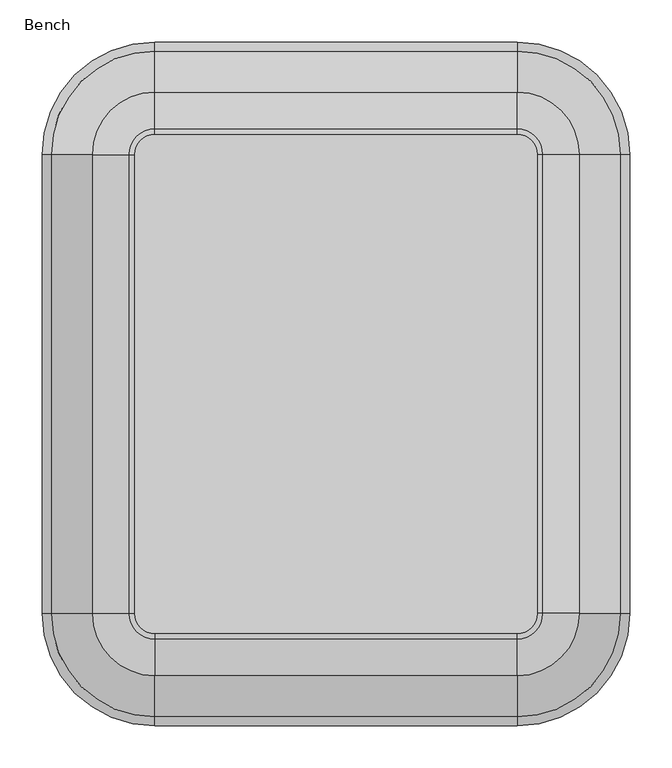
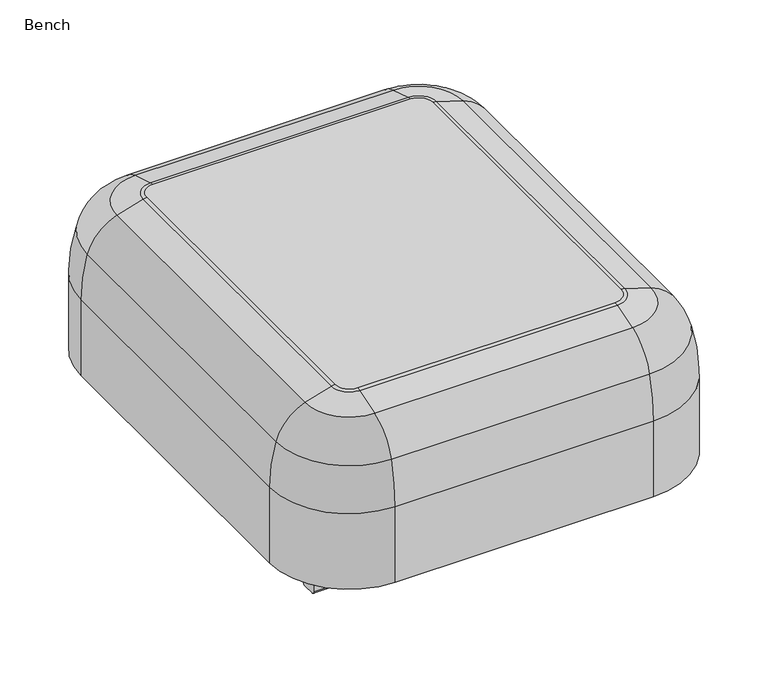
"""IFC4 building model written with IfcOpenShell, lengths in millimetres: furniture geometry, Bench."""

from ifc_helpers import new_model, si_unit, point, frame, frame_2d, origin, place, context, project, spatial, polyline, circle_curve, ellipse_curve, trimmed, segment, composite_curve, outline, extrude, source, transform, mapped, element, save
from ifc_brep_helpers import plane_surface, cylinder_surface, revolved_surface, advanced_brep


def bench_887439ae(model_context):
    return source(origin(), model_context, "Body", "SolidModel", [
        advanced_brep(
        [(349.7670833, 133.8670833, 263.8730144), (349.7670833, 133.8670833, 130.0907271), (349.7670833, 679.9670833, 130.0907271), (349.7670833, 679.9670833, 263.8730144), (338.9812591, 679.9670833, 341.0501129), (338.9812591, 133.8670833, 341.0501129), (290.0181867, 679.9670833, 393.2641497), (290.0181867, 133.8670833, 393.2641497), (215.9, 813.8341665, 263.8730144), (215.9, 813.8341665, 130.0907271), (-215.9, 813.8341665, 130.0907271), (-215.9, 813.8341665, 263.8730144), (-215.9, 803.0483423, 341.0501129), (215.9, 803.0483423, 341.0501129), (-215.9, 754.0852699, 393.2641497), (215.9, 754.0852699, 393.2641497), (-349.7670833, 679.9670833, 263.8730144), (-349.7670833, 679.9670833, 130.0907271), (-349.7670833, 133.8670833, 130.0907271), (-349.7670833, 133.8670833, 263.8730144), (-338.9812591, 133.8670833, 341.0501129), (-338.9812591, 679.9670833, 341.0501129), (-290.0181867, 133.8670833, 393.2641497), (-290.0181867, 679.9670833, 393.2641497), (-215.9, 0.0, 263.8730144), (-215.9, 0.0, 130.0907271), (215.9, 0.0, 130.0907271), (215.9, 0.0, 263.8730144), (215.9, 10.7858242, 341.0501129), (-215.9, 10.7858242, 341.0501129), (215.9, 59.7488966, 393.2641497), (-215.9, 59.7488966, 393.2641497), (246.3697275, 133.8670833, 406.9392607), (215.9, 103.3973557, 406.9392607), (246.3697275, 679.9670833, 406.9392607), (215.9, 710.4368108, 406.9392607), (-215.9, 710.4368108, 406.9392607), (-246.3697275, 679.9670833, 406.9392607), (-246.3697275, 133.8670833, 406.9392607), (-215.9, 103.3973557, 406.9392607), (240.066495, 133.8670833, 407.7802548), (215.9, 109.7005883, 407.7802548), (240.066495, 679.9670833, 407.7802548), (215.9, 704.1335782, 407.7802548), (-215.9, 704.1335782, 407.7802548), (-240.066495, 679.9670833, 407.7802548), (-240.066495, 133.8670833, 407.7802548), (-215.9, 109.7005883, 407.7802548)],
        [
            (0, 1),
            (1, 2),
            (2, 3),
            (3, 0),
            (3, 4, circle_curve(frame((68.2569074, 679.9670833, 263.8730144), z_axis=(0.0, -1.0, 0.0), x_axis=(1.0, 0.0, 0.0)), 281.5101759)),
            (4, 5),
            (5, 0, circle_curve(frame((68.2569074, 133.8670833, 263.8730144), z_axis=(0.0, 1.0, 0.0), x_axis=(1.0, 0.0, 0.0)), 281.5101759)),
            (4, 6, circle_curve(frame((263.8055604, 679.9670833, 319.6193023), z_axis=(0.0, -1.0, 0.0), x_axis=(1.0, 0.0, 0.0)), 78.1707446)),
            (6, 7),
            (7, 5, circle_curve(frame((263.8055604, 133.8670833, 319.6193023), z_axis=(0.0, 1.0, 0.0), x_axis=(1.0, 0.0, 0.0)), 78.1707446)),
            (8, 9),
            (9, 10),
            (10, 11),
            (11, 8),
            (11, 12, circle_curve(frame((-215.9, 532.3239907, 263.8730144), z_axis=(1.0, 0.0, 0.0), x_axis=(0.0, 1.0, 0.0)), 281.5101759)),
            (12, 13),
            (13, 8, circle_curve(frame((215.9, 532.3239907, 263.8730144), z_axis=(-1.0, 0.0, 0.0), x_axis=(0.0, 1.0, 0.0)), 281.5101759)),
            (12, 14, circle_curve(frame((-215.9, 727.8726436, 319.6193023), z_axis=(1.0, 0.0, 0.0), x_axis=(0.0, 1.0, 0.0)), 78.1707446)),
            (14, 15),
            (15, 13, circle_curve(frame((215.9, 727.8726436, 319.6193023), z_axis=(-1.0, 0.0, 0.0), x_axis=(0.0, 1.0, 0.0)), 78.1707446)),
            (16, 17),
            (17, 18),
            (18, 19),
            (19, 16),
            (19, 20, circle_curve(frame((-68.2569074, 133.8670833, 263.8730144), z_axis=(0.0, 1.0, 0.0), x_axis=(-1.0, 0.0, 0.0)), 281.5101759)),
            (20, 21),
            (21, 16, circle_curve(frame((-68.2569074, 679.9670833, 263.8730144), z_axis=(0.0, -1.0, 0.0), x_axis=(-1.0, 0.0, 0.0)), 281.5101759)),
            (20, 22, circle_curve(frame((-263.8055604, 133.8670833, 319.6193023), z_axis=(0.0, 1.0, 0.0), x_axis=(-1.0, 0.0, 0.0)), 78.1707446)),
            (22, 23),
            (23, 21, circle_curve(frame((-263.8055604, 679.9670833, 319.6193023), z_axis=(0.0, -1.0, 0.0), x_axis=(-1.0, 0.0, 0.0)), 78.1707446)),
            (24, 25),
            (25, 26),
            (26, 27),
            (27, 24),
            (27, 28, circle_curve(frame((215.9, 281.5101759, 263.8730144), z_axis=(-1.0, 0.0, 0.0), x_axis=(0.0, -1.0, 0.0)), 281.5101759)),
            (28, 29),
            (29, 24, circle_curve(frame((-215.9, 281.5101759, 263.8730144), z_axis=(1.0, 0.0, 0.0), x_axis=(0.0, -1.0, 0.0)), 281.5101759)),
            (28, 30, circle_curve(frame((215.9, 85.9615229, 319.6193023), z_axis=(-1.0, 0.0, 0.0), x_axis=(0.0, -1.0, 0.0)), 78.1707446)),
            (30, 31),
            (31, 29, circle_curve(frame((-215.9, 85.9615229, 319.6193023), z_axis=(1.0, 0.0, 0.0), x_axis=(0.0, -1.0, 0.0)), 78.1707446)),
            (0, 27, circle_curve(frame((215.9, 133.8670833, 263.8730144), z_axis=(0.0, 0.0, -1.0), x_axis=(0.0, -1.0, 0.0)), 133.8670833)),
            (26, 1, circle_curve(frame((215.9, 133.8670833, 130.0907271), z_axis=(0.0, 0.0, 1.0), x_axis=(0.0, -1.0, 0.0)), 133.8670833)),
            (5, 28, circle_curve(frame((215.9, 133.8670833, 341.0501129), z_axis=(0.0, 0.0, -1.0), x_axis=(0.0, -1.0, 0.0)), 123.0812591)),
            (7, 30, circle_curve(frame((215.9, 133.8670833, 393.2641497), z_axis=(0.0, 0.0, -1.0), x_axis=(0.0, -1.0, 0.0)), 74.1181867)),
            (7, 32, circle_curve(frame((89.9223899, 133.8670833, -168.9086074), z_axis=(0.0, -1.0, 0.0), x_axis=(1.0, 0.0, 0.0)), 596.7214901)),
            (32, 33, circle_curve(frame((215.9, 133.8670833, 406.9392607), z_axis=(0.0, 0.0, -1.0), x_axis=(0.0, -1.0, 0.0)), 30.4697275)),
            (33, 30, circle_curve(frame((215.9, 259.8446933, -168.9086074), z_axis=(1.0, 0.0, 0.0), x_axis=(0.0, -1.0, 0.0)), 596.7214901)),
            (6, 34, circle_curve(frame((89.9223899, 679.9670833, -168.9086074), z_axis=(0.0, -1.0, 0.0), x_axis=(1.0, 0.0, 0.0)), 596.7214901)),
            (34, 32),
            (2, 9, circle_curve(frame((215.9, 679.9670833, 130.0907271), z_axis=(0.0, 0.0, 1.0), x_axis=(1.0, 0.0, 0.0)), 133.8670833)),
            (8, 3, circle_curve(frame((215.9, 679.9670833, 263.8730144), z_axis=(0.0, 0.0, -1.0), x_axis=(1.0, 0.0, 0.0)), 133.8670833)),
            (13, 4, circle_curve(frame((215.9, 679.9670833, 341.0501129), z_axis=(0.0, 0.0, -1.0), x_axis=(1.0, 0.0, 0.0)), 123.0812591)),
            (15, 6, circle_curve(frame((215.9, 679.9670833, 393.2641497), z_axis=(0.0, 0.0, -1.0), x_axis=(1.0, 0.0, 0.0)), 74.1181867)),
            (15, 35, circle_curve(frame((215.9, 553.9894732, -168.9086074), z_axis=(1.0, 0.0, 0.0), x_axis=(0.0, 1.0, 0.0)), 596.7214901)),
            (35, 34, circle_curve(frame((215.9, 679.9670833, 406.9392607), z_axis=(0.0, 0.0, -1.0), x_axis=(1.0, 0.0, 0.0)), 30.4697275)),
            (14, 36, circle_curve(frame((-215.9, 553.9894732, -168.9086074), z_axis=(1.0, 0.0, 0.0), x_axis=(0.0, 1.0, 0.0)), 596.7214901)),
            (36, 35),
            (10, 17, circle_curve(frame((-215.9, 679.9670833, 130.0907271), z_axis=(0.0, 0.0, 1.0), x_axis=(0.0, 1.0, 0.0)), 133.8670833)),
            (16, 11, circle_curve(frame((-215.9, 679.9670833, 263.8730144), z_axis=(0.0, 0.0, -1.0), x_axis=(0.0, 1.0, 0.0)), 133.8670833)),
            (21, 12, circle_curve(frame((-215.9, 679.9670833, 341.0501129), z_axis=(0.0, 0.0, -1.0), x_axis=(0.0, 1.0, 0.0)), 123.0812591)),
            (23, 14, circle_curve(frame((-215.9, 679.9670833, 393.2641497), z_axis=(0.0, 0.0, -1.0), x_axis=(0.0, 1.0, 0.0)), 74.1181867)),
            (23, 37, circle_curve(frame((-89.9223899, 679.9670833, -168.9086074), z_axis=(0.0, 1.0, 0.0), x_axis=(-1.0, 0.0, 0.0)), 596.7214901)),
            (37, 36, circle_curve(frame((-215.9, 679.9670833, 406.9392607), z_axis=(0.0, 0.0, -1.0), x_axis=(0.0, 1.0, 0.0)), 30.4697275)),
            (22, 38, circle_curve(frame((-89.9223899, 133.8670833, -168.9086074), z_axis=(0.0, 1.0, 0.0), x_axis=(-1.0, 0.0, 0.0)), 596.7214901)),
            (38, 37),
            (18, 25, circle_curve(frame((-215.9, 133.8670833, 130.0907271), z_axis=(0.0, 0.0, 1.0), x_axis=(-1.0, 0.0, 0.0)), 133.8670833)),
            (24, 19, circle_curve(frame((-215.9, 133.8670833, 263.8730144), z_axis=(0.0, 0.0, -1.0), x_axis=(-1.0, 0.0, 0.0)), 133.8670833)),
            (29, 20, circle_curve(frame((-215.9, 133.8670833, 341.0501129), z_axis=(0.0, 0.0, -1.0), x_axis=(-1.0, 0.0, 0.0)), 123.0812591)),
            (31, 22, circle_curve(frame((-215.9, 133.8670833, 393.2641497), z_axis=(0.0, 0.0, -1.0), x_axis=(-1.0, 0.0, 0.0)), 74.1181867)),
            (31, 39, circle_curve(frame((-215.9, 259.8446933, -168.9086074), z_axis=(-1.0, 0.0, 0.0), x_axis=(0.0, -1.0, 0.0)), 596.7214901)),
            (39, 38, circle_curve(frame((-215.9, 133.8670833, 406.9392607), z_axis=(0.0, 0.0, -1.0), x_axis=(-1.0, 0.0, 0.0)), 30.4697275)),
            (33, 39),
            (32, 40, circle_curve(frame((240.066495, 133.8670833, 383.738463), z_axis=(0.0, -1.0, 0.0), x_axis=(1.0, 0.0, 0.0)), 24.0417918)),
            (40, 41, circle_curve(frame((215.9, 133.8670833, 407.7802548), z_axis=(0.0, 0.0, -1.0), x_axis=(0.0, -1.0, 0.0)), 24.166495)),
            (41, 33, circle_curve(frame((215.9, 109.7005883, 383.738463), z_axis=(1.0, 0.0, 0.0), x_axis=(0.0, -1.0, 0.0)), 24.0417918)),
            (34, 42, circle_curve(frame((240.066495, 679.9670833, 383.738463), z_axis=(0.0, -1.0, 0.0), x_axis=(1.0, 0.0, 0.0)), 24.0417918)),
            (42, 40),
            (35, 43, circle_curve(frame((215.9, 704.1335782, 383.738463), z_axis=(1.0, 0.0, 0.0), x_axis=(0.0, 1.0, 0.0)), 24.0417918)),
            (43, 42, circle_curve(frame((215.9, 679.9670833, 407.7802548), z_axis=(0.0, 0.0, -1.0), x_axis=(1.0, 0.0, 0.0)), 24.166495)),
            (36, 44, circle_curve(frame((-215.9, 704.1335782, 383.738463), z_axis=(1.0, 0.0, 0.0), x_axis=(0.0, 1.0, 0.0)), 24.0417918)),
            (44, 43),
            (37, 45, circle_curve(frame((-240.066495, 679.9670833, 383.738463), z_axis=(0.0, 1.0, 0.0), x_axis=(-1.0, 0.0, 0.0)), 24.0417918)),
            (45, 44, circle_curve(frame((-215.9, 679.9670833, 407.7802548), z_axis=(0.0, 0.0, -1.0), x_axis=(0.0, 1.0, 0.0)), 24.166495)),
            (38, 46, circle_curve(frame((-240.066495, 133.8670833, 383.738463), z_axis=(0.0, 1.0, 0.0), x_axis=(-1.0, 0.0, 0.0)), 24.0417918)),
            (46, 45),
            (39, 47, circle_curve(frame((-215.9, 109.7005883, 383.738463), z_axis=(-1.0, 0.0, 0.0), x_axis=(0.0, -1.0, 0.0)), 24.0417918)),
            (47, 46, circle_curve(frame((-215.9, 133.8670833, 407.7802548), z_axis=(0.0, 0.0, -1.0), x_axis=(-1.0, 0.0, 0.0)), 24.166495)),
            (41, 47),
        ],
        [
            plane_surface(frame((349.7670833, 133.8670833, 130.0907271), z_axis=(1.0, 0.0, 0.0), x_axis=(0.0, 1.0, 0.0))),
            cylinder_surface(frame((68.2569074, 133.8670833, 263.8730144), z_axis=(0.0, -1.0, 0.0), x_axis=(1.0, 0.0, 0.0)), 281.5101759),
            cylinder_surface(frame((263.8055604, 133.8670833, 319.6193023), z_axis=(0.0, -1.0, 0.0), x_axis=(1.0, 0.0, 0.0)), 78.1707446),
            plane_surface(frame((215.9, 813.8341665, 130.0907271), z_axis=(0.0, 1.0, 0.0), x_axis=(-1.0, 0.0, 0.0))),
            cylinder_surface(frame((215.9, 532.3239907, 263.8730144), z_axis=(1.0, 0.0, 0.0), x_axis=(0.0, 1.0, 0.0)), 281.5101759),
            cylinder_surface(frame((215.9, 727.8726436, 319.6193023), z_axis=(1.0, 0.0, 0.0), x_axis=(0.0, 1.0, 0.0)), 78.1707446),
            plane_surface(frame((-349.7670833, 679.9670833, 130.0907271), z_axis=(-1.0, 0.0, 0.0), x_axis=(0.0, -1.0, 0.0))),
            cylinder_surface(frame((-68.2569074, 679.9670833, 263.8730144), z_axis=(0.0, 1.0, 0.0), x_axis=(-1.0, 0.0, 0.0)), 281.5101759),
            cylinder_surface(frame((-263.8055604, 679.9670833, 319.6193023), z_axis=(0.0, 1.0, 0.0), x_axis=(-1.0, 0.0, 0.0)), 78.1707446),
            plane_surface(frame((-215.9, 0.0, 130.0907271), z_axis=(0.0, -1.0, 0.0), x_axis=(1.0, 0.0, 0.0))),
            cylinder_surface(frame((-215.9, 281.5101759, 263.8730144), z_axis=(-1.0, 0.0, 0.0), x_axis=(0.0, -1.0, 0.0)), 281.5101759),
            cylinder_surface(frame((-215.9, 85.9615229, 319.6193023), z_axis=(-1.0, 0.0, 0.0), x_axis=(0.0, -1.0, 0.0)), 78.1707446),
            cylinder_surface(frame((215.9, 133.8670833, 0.0), z_axis=(0.0, 0.0, 1.0), x_axis=(0.0, -1.0, 0.0)), 133.8670833),
            revolved_surface(trimmed(ellipse_curve(frame((215.9, 281.5101759, 263.8730144), z_axis=(-1.0, 0.0, 0.0), x_axis=(0.0, -1.0, 0.0)), 281.5101759, 281.5101759), [point((215.9, 0.0, 263.8730144))], [point((215.9, 10.7858242, 341.0501129))], True, "CARTESIAN"), (215.9, 133.8670833, 0.0), (0.0, 0.0, 1.0)),
            revolved_surface(trimmed(ellipse_curve(frame((215.9, 85.9615229, 319.6193023), z_axis=(-1.0, 0.0, 0.0), x_axis=(0.0, -1.0, 0.0)), 78.1707446, 78.1707446), [point((215.9, 10.7858242, 341.0501129))], [point((215.9, 59.7488966, 393.2641497))], True, "CARTESIAN"), (215.9, 133.8670833, 0.0), (0.0, 0.0, 1.0)),
            revolved_surface(trimmed(ellipse_curve(frame((215.9, 259.8446933, -168.9086074), z_axis=(-1.0, 0.0, 0.0), x_axis=(0.0, -1.0, 0.0)), 596.7214901, 596.7214901), [point((215.9, 59.7488966, 393.2641497))], [point((215.9, 103.3973557, 406.9392607))], True, "CARTESIAN"), (215.9, 133.8670833, 0.0), (0.0, 0.0, 1.0)),
            cylinder_surface(frame((89.9223899, 133.8670833, -168.9086074), z_axis=(0.0, -1.0, 0.0), x_axis=(1.0, 0.0, 0.0)), 596.7214901),
            cylinder_surface(frame((215.9, 679.9670833, 0.0), z_axis=(0.0, 0.0, 1.0), x_axis=(1.0, 0.0, 0.0)), 133.8670833),
            revolved_surface(trimmed(ellipse_curve(frame((68.2569074, 679.9670833, 263.8730144), z_axis=(0.0, -1.0, 0.0), x_axis=(1.0, 0.0, 0.0)), 281.5101759, 281.5101759), [point((349.7670833, 679.9670833, 263.8730144))], [point((338.9812591, 679.9670833, 341.0501129))], True, "CARTESIAN"), (215.9, 679.9670833, 0.0), (0.0, 0.0, 1.0)),
            revolved_surface(trimmed(ellipse_curve(frame((263.8055604, 679.9670833, 319.6193023), z_axis=(0.0, -1.0, 0.0), x_axis=(1.0, 0.0, 0.0)), 78.1707446, 78.1707446), [point((338.9812591, 679.9670833, 341.0501129))], [point((290.0181867, 679.9670833, 393.2641497))], True, "CARTESIAN"), (215.9, 679.9670833, 0.0), (0.0, 0.0, 1.0)),
            revolved_surface(trimmed(ellipse_curve(frame((89.9223899, 679.9670833, -168.9086074), z_axis=(0.0, -1.0, 0.0), x_axis=(1.0, 0.0, 0.0)), 596.7214901, 596.7214901), [point((290.0181867, 679.9670833, 393.2641497))], [point((246.3697275, 679.9670833, 406.9392607))], True, "CARTESIAN"), (215.9, 679.9670833, 0.0), (0.0, 0.0, 1.0)),
            cylinder_surface(frame((215.9, 553.9894732, -168.9086074), z_axis=(1.0, 0.0, 0.0), x_axis=(0.0, 1.0, 0.0)), 596.7214901),
            cylinder_surface(frame((-215.9, 679.9670833, 0.0), z_axis=(0.0, 0.0, 1.0), x_axis=(0.0, 1.0, 0.0)), 133.8670833),
            revolved_surface(trimmed(ellipse_curve(frame((-215.9, 532.3239907, 263.8730144), z_axis=(1.0, 0.0, 0.0), x_axis=(0.0, 1.0, 0.0)), 281.5101759, 281.5101759), [point((-215.9, 813.8341665, 263.8730144))], [point((-215.9, 803.0483423, 341.0501129))], True, "CARTESIAN"), (-215.9, 679.9670833, 0.0), (0.0, 0.0, 1.0)),
            revolved_surface(trimmed(ellipse_curve(frame((-215.9, 727.8726436, 319.6193023), z_axis=(1.0, 0.0, 0.0), x_axis=(0.0, 1.0, 0.0)), 78.1707446, 78.1707446), [point((-215.9, 803.0483423, 341.0501129))], [point((-215.9, 754.0852699, 393.2641497))], True, "CARTESIAN"), (-215.9, 679.9670833, 0.0), (0.0, 0.0, 1.0)),
            revolved_surface(trimmed(ellipse_curve(frame((-215.9, 553.9894732, -168.9086074), z_axis=(1.0, 0.0, 0.0), x_axis=(0.0, 1.0, 0.0)), 596.7214901, 596.7214901), [point((-215.9, 754.0852699, 393.2641497))], [point((-215.9, 710.4368108, 406.9392607))], True, "CARTESIAN"), (-215.9, 679.9670833, 0.0), (0.0, 0.0, 1.0)),
            cylinder_surface(frame((-89.9223899, 679.9670833, -168.9086074), z_axis=(0.0, 1.0, 0.0), x_axis=(-1.0, 0.0, 0.0)), 596.7214901),
            cylinder_surface(frame((-215.9, 133.8670833, 0.0), z_axis=(0.0, 0.0, 1.0), x_axis=(-1.0, 0.0, 0.0)), 133.8670833),
            revolved_surface(trimmed(ellipse_curve(frame((-68.2569074, 133.8670833, 263.8730144), z_axis=(0.0, 1.0, 0.0), x_axis=(-1.0, 0.0, 0.0)), 281.5101759, 281.5101759), [point((-349.7670833, 133.8670833, 263.8730144))], [point((-338.9812591, 133.8670833, 341.0501129))], True, "CARTESIAN"), (-215.9, 133.8670833, 0.0), (0.0, 0.0, 1.0)),
            revolved_surface(trimmed(ellipse_curve(frame((-263.8055604, 133.8670833, 319.6193023), z_axis=(0.0, 1.0, 0.0), x_axis=(-1.0, 0.0, 0.0)), 78.1707446, 78.1707446), [point((-338.9812591, 133.8670833, 341.0501129))], [point((-290.0181867, 133.8670833, 393.2641497))], True, "CARTESIAN"), (-215.9, 133.8670833, 0.0), (0.0, 0.0, 1.0)),
            revolved_surface(trimmed(ellipse_curve(frame((-89.9223899, 133.8670833, -168.9086074), z_axis=(0.0, 1.0, 0.0), x_axis=(-1.0, 0.0, 0.0)), 596.7214901, 596.7214901), [point((-290.0181867, 133.8670833, 393.2641497))], [point((-246.3697275, 133.8670833, 406.9392607))], True, "CARTESIAN"), (-215.9, 133.8670833, 0.0), (0.0, 0.0, 1.0)),
            plane_surface(frame((-215.9, 133.8670833, 130.0907271), z_axis=(0.0, 0.0, -1.0), x_axis=(-1.0, 0.0, 0.0))),
            cylinder_surface(frame((-215.9, 259.8446933, -168.9086074), z_axis=(-1.0, 0.0, 0.0), x_axis=(0.0, -1.0, 0.0)), 596.7214901),
            revolved_surface(trimmed(ellipse_curve(frame((215.9, 109.7005883, 383.738463), z_axis=(-1.0, 0.0, 0.0), x_axis=(0.0, -1.0, 0.0)), 24.0417918, 24.0417918), [point((215.9, 103.3973557, 406.9392607))], [point((215.9, 109.7005883, 407.7802548))], True, "CARTESIAN"), (215.9, 133.8670833, 0.0), (0.0, 0.0, 1.0)),
            cylinder_surface(frame((240.066495, 133.8670833, 383.738463), z_axis=(0.0, -1.0, 0.0), x_axis=(1.0, 0.0, 0.0)), 24.0417918),
            revolved_surface(trimmed(ellipse_curve(frame((240.066495, 679.9670833, 383.738463), z_axis=(0.0, -1.0, 0.0), x_axis=(1.0, 0.0, 0.0)), 24.0417918, 24.0417918), [point((246.3697275, 679.9670833, 406.9392607))], [point((240.066495, 679.9670833, 407.7802548))], True, "CARTESIAN"), (215.9, 679.9670833, 0.0), (0.0, 0.0, 1.0)),
            cylinder_surface(frame((215.9, 704.1335782, 383.738463), z_axis=(1.0, 0.0, 0.0), x_axis=(0.0, 1.0, 0.0)), 24.0417918),
            revolved_surface(trimmed(ellipse_curve(frame((-215.9, 704.1335782, 383.738463), z_axis=(1.0, 0.0, 0.0), x_axis=(0.0, 1.0, 0.0)), 24.0417918, 24.0417918), [point((-215.9, 710.4368108, 406.9392607))], [point((-215.9, 704.1335782, 407.7802548))], True, "CARTESIAN"), (-215.9, 679.9670833, 0.0), (0.0, 0.0, 1.0)),
            cylinder_surface(frame((-240.066495, 679.9670833, 383.738463), z_axis=(0.0, 1.0, 0.0), x_axis=(-1.0, 0.0, 0.0)), 24.0417918),
            revolved_surface(trimmed(ellipse_curve(frame((-240.066495, 133.8670833, 383.738463), z_axis=(0.0, 1.0, 0.0), x_axis=(-1.0, 0.0, 0.0)), 24.0417918, 24.0417918), [point((-246.3697275, 133.8670833, 406.9392607))], [point((-240.066495, 133.8670833, 407.7802548))], True, "CARTESIAN"), (-215.9, 133.8670833, 0.0), (0.0, 0.0, 1.0)),
            cylinder_surface(frame((-215.9, 109.7005883, 383.738463), z_axis=(-1.0, 0.0, 0.0), x_axis=(0.0, -1.0, 0.0)), 24.0417918),
            plane_surface(frame((-215.9, 109.7005883, 407.7802548), z_axis=(0.0, 0.0, 1.0), x_axis=(1.0, 0.0, 0.0))),
        ],
        [
            (0, [[1, 2, 3, 4]]),
            (1, [[-4, 5, 6, 7]]),
            (2, [[-6, 8, 9, 10]]),
            (3, [[11, 12, 13, 14]]),
            (4, [[-14, 15, 16, 17]]),
            (5, [[-16, 18, 19, 20]]),
            (6, [[21, 22, 23, 24]]),
            (7, [[-24, 25, 26, 27]]),
            (8, [[-26, 28, 29, 30]]),
            (9, [[31, 32, 33, 34]]),
            (10, [[-34, 35, 36, 37]]),
            (11, [[-36, 38, 39, 40]]),
            (12, [[-1, 41, -33, 42]]),
            (13, [[-7, 43, -35, -41]]),
            (14, [[-10, 44, -38, -43]]),
            (15, [[-44, 45, 46, 47]]),
            (16, [[-9, 48, 49, -45]]),
            (17, [[-3, 50, -11, 51]]),
            (18, [[-5, -51, -17, 52]]),
            (19, [[-8, -52, -20, 53]]),
            (20, [[-48, -53, 54, 55]]),
            (21, [[-19, 56, 57, -54]]),
            (22, [[-13, 58, -21, 59]]),
            (23, [[-15, -59, -27, 60]]),
            (24, [[-18, -60, -30, 61]]),
            (25, [[-56, -61, 62, 63]]),
            (26, [[-29, 64, 65, -62]]),
            (27, [[-23, 66, -31, 67]]),
            (28, [[-25, -67, -37, 68]]),
            (29, [[-28, -68, -40, 69]]),
            (30, [[-64, -69, 70, 71]]),
            (31, [[-2, -42, -32, -66, -22, -58, -12, -50]]),
            (32, [[-39, -47, 72, -70]]),
            (33, [[-46, 73, 74, 75]]),
            (34, [[-49, 76, 77, -73]]),
            (35, [[-55, 78, 79, -76]]),
            (36, [[-57, 80, 81, -78]]),
            (37, [[-63, 82, 83, -80]]),
            (38, [[-65, 84, 85, -82]]),
            (39, [[-71, 86, 87, -84]]),
            (40, [[-72, -75, 88, -86]]),
            (41, [[-74, -77, -79, -81, -83, -85, -87, -88]]),
        ],
    ),
        extrude(outline(composite_curve([segment(polyline([(107.8286615, 130.0907271), (127.950447, 130.0907271)]), True, "CONTINUOUS"), segment(trimmed(circle_curve(frame_2d((127.950447, 125.0107271)), 5.08), [point((127.950447, 130.0907271))], [point((133.030447, 125.0107271))], False, "CARTESIAN"), True, "CONTINUOUS"), segment(polyline([(133.030447, 125.0107271), (133.030447, 77.7918819)]), True, "CONTINUOUS"), segment(trimmed(circle_curve(frame_2d((128.0608234, 77.7918819)), 4.9696236), [point((133.030447, 77.7918819))], [point((128.0608234, 72.8222583))], False, "CARTESIAN"), True, "CONTINUOUS"), segment(polyline([(128.0608234, 72.8222583), (107.8286615, 72.8222583)]), True, "CONTINUOUS"), segment(trimmed(circle_curve(frame_2d((107.8286615, 77.9022583)), 5.08), [point((107.8286615, 72.8222583))], [point((102.7486615, 77.9022583))], False, "CARTESIAN"), True, "CONTINUOUS"), segment(polyline([(102.7486615, 77.9022583), (102.7486615, 125.0107271)]), True, "CONTINUOUS"), segment(trimmed(circle_curve(frame_2d((107.8286615, 125.0107271)), 5.08), [point((102.7486615, 125.0107271))], [point((107.8286615, 130.0907271))], False, "CARTESIAN"), True, "CONTINUOUS")], self_intersect=False)), frame((-293.2169131, 0.0, 0.0), z_axis=(1.0, 0.0, 0.0), x_axis=(0.0, 1.0, 0.0)), (0.0, 0.0, 1.0), 586.4338262),
        extrude(outline(composite_curve([segment(polyline([(688.0509148, 130.0907271), (708.1727003, 130.0907271)]), True, "CONTINUOUS"), segment(trimmed(circle_curve(frame_2d((708.1727003, 125.0107271)), 5.08), [point((708.1727003, 130.0907271))], [point((713.2527003, 125.0107271))], False, "CARTESIAN"), True, "CONTINUOUS"), segment(polyline([(713.2527003, 125.0107271), (713.2527003, 77.7918819)]), True, "CONTINUOUS"), segment(trimmed(circle_curve(frame_2d((708.2830767, 77.7918819)), 4.9696236), [point((713.2527003, 77.7918819))], [point((708.2830767, 72.8222583))], False, "CARTESIAN"), True, "CONTINUOUS"), segment(polyline([(708.2830767, 72.8222583), (688.0509148, 72.8222583)]), True, "CONTINUOUS"), segment(trimmed(circle_curve(frame_2d((688.0509148, 77.9022583)), 5.08), [point((688.0509148, 72.8222583))], [point((682.9709148, 77.9022583))], False, "CARTESIAN"), True, "CONTINUOUS"), segment(polyline([(682.9709148, 77.9022583), (682.9709148, 125.0107271)]), True, "CONTINUOUS"), segment(trimmed(circle_curve(frame_2d((688.0509148, 125.0107271)), 5.08), [point((682.9709148, 125.0107271))], [point((688.0509148, 130.0907271))], False, "CARTESIAN"), True, "CONTINUOUS")], self_intersect=False)), frame((-293.2169131, 0.0, 0.0), z_axis=(1.0, 0.0, 0.0), x_axis=(0.0, 1.0, 0.0)), (0.0, 0.0, 1.0), 586.4338262),
        extrude(outline(polyline([(244.5324279, 56.0547181), (-245.7576083, 56.0547181), (-245.7576083, 767.5830468), (244.5324279, 767.5830468), (244.5324279, 56.0547181)])), frame((0.0, 0.0, 120.4544369), z_axis=(0.0, 0.0, 1.0), x_axis=(1.0, 0.0, 0.0)), (0.0, 0.0, 1.0), 9.6362902),
    ])


if __name__ == "__main__":
    model = new_model("IFC4")
    model_context = context("Model", 3, world=origin())
    ifc_project = project(units=[si_unit("LENGTHUNIT", "METRE", prefix="MILLI")], contexts=[model_context])
    site = spatial("IfcSite", under=ifc_project)
    building = spatial("IfcBuilding", under=site)
    placement = place(None, origin())
    bench_shape = bench_887439ae(model_context)
    element("IfcFurniture", 1, ObjectType="Bench", at=placement, inside=building, context=model_context, shape_type="MappedRepresentation", body=[
        mapped(bench_shape, transform((0.0, 0.0, 0.0), x_axis=(1.0, 0.0, 0.0), y_axis=(0.0, 1.0, 0.0), z_axis=(0.0, 0.0, 1.0))),
    ])
    save(model, "model.ifc")
